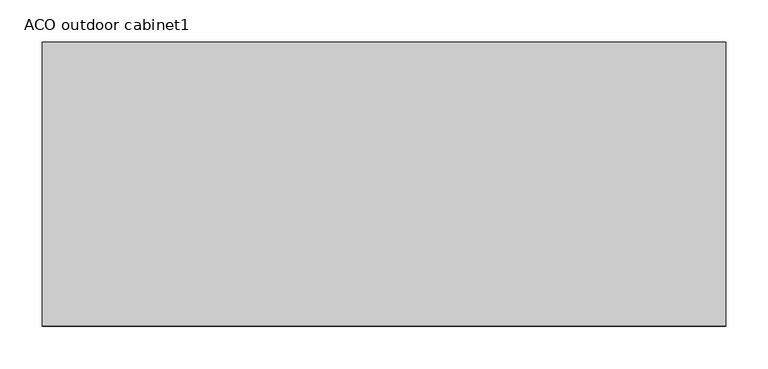
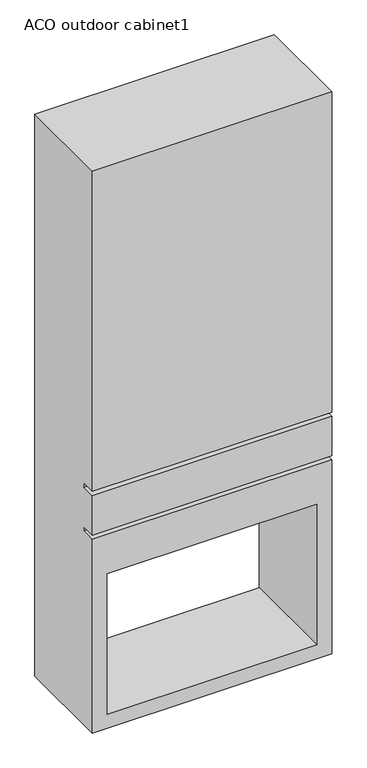
"""IFC4 building model written with IfcOpenShell, lengths in millimetres: furniture geometry, ACO outdoor cabinet1."""

from ifc_helpers import new_model, si_unit, origin, place, context, project, spatial, faceted_brep, source, transform, mapped, element, save


def aco_outdoor_cabinet1_8531c83b(model_context):
    return source(origin(), model_context, "Body", "Brep", [
        faceted_brep([(403.0, 0.0, 1445.0), (-403.0, 0.0, 1445.0), (-403.0, 0.0, 305.0), (403.0, 0.0, 305.0), (-403.0, 0.0, -555.0), (403.0, 0.0, -555.0), (403.0, 0.0, 135.0), (-403.0, 0.0, 135.0), (353.0, 0.0, -505.0), (-353.0, 0.0, -505.0), (-353.0, 0.0, -5.0), (353.0, 0.0, -5.0), (-403.0, 0.0, 290.0), (-403.0, 0.0, 150.0), (403.0, 0.0, 150.0), (403.0, 0.0, 290.0), (403.0, 335.0, 1445.0), (403.0, 335.0, -555.0), (-403.0, 335.0, -555.0), (-403.0, 335.0, 1445.0), (-353.0, 335.0, -505.0), (353.0, 335.0, -505.0), (353.0, 335.0, -5.0), (-353.0, 335.0, -5.0), (-403.0, 50.0, 135.0), (-403.0, 50.0, 150.0), (-403.0, 50.0, 290.0), (-403.0, 50.0, 305.0), (403.0, 50.0, 305.0), (403.0, 50.0, 290.0), (403.0, 50.0, 150.0), (403.0, 50.0, 135.0)], [[[0, 1, 2, 3]], [[4, 5, 6, 7], [8, 9, 10, 11]], [[12, 13, 14, 15]], [[16, 17, 18, 19], [20, 21, 22, 23]], [[1, 0, 16, 19]], [[19, 18, 4, 7, 24, 25, 13, 12, 26, 27, 2, 1]], [[5, 4, 18, 17]], [[17, 16, 0, 3, 28, 29, 15, 14, 30, 31, 6, 5]], [[8, 21, 20, 9]], [[21, 8, 11, 22]], [[22, 11, 10, 23]], [[9, 20, 23, 10]], [[30, 25, 24, 31]], [[28, 27, 26, 29]], [[25, 30, 14, 13]], [[31, 24, 7, 6]], [[27, 28, 3, 2]], [[29, 26, 12, 15]]]),
    ])


if __name__ == "__main__":
    model = new_model("IFC4")
    model_context = context("Model", 3, world=origin())
    ifc_project = project(units=[si_unit("LENGTHUNIT", "METRE", prefix="MILLI")], contexts=[model_context])
    site = spatial("IfcSite", under=ifc_project)
    building = spatial("IfcBuilding", under=site)
    placement = place(None, origin())
    aco_outdoor_cabinet1_shape = aco_outdoor_cabinet1_8531c83b(model_context)
    element("IfcFurniture", 1, ObjectType="ACO outdoor cabinet1", at=placement, inside=building, context=model_context, shape_type="MappedRepresentation", body=[
        mapped(aco_outdoor_cabinet1_shape, transform((0.0, 0.0, 0.0), x_axis=(1.0, 0.0, 0.0), y_axis=(0.0, 1.0, 0.0), z_axis=(0.0, 0.0, 1.0))),
    ])
    save(model, "model.ifc")
